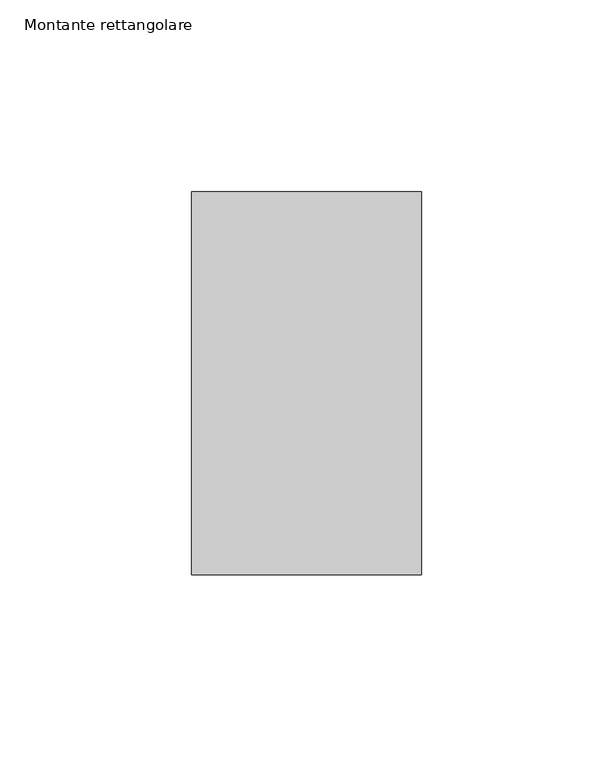
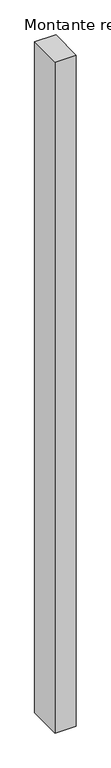
"""IFC4 building model written with IfcOpenShell, lengths in millimetres: member geometry, Montante rettangolare."""

from ifc_helpers import new_model, si_unit, frame, origin, place, context, project, spatial, polyline, outline, extrude, source, transform, mapped, element, save


def montante_rettangolare_8e26e2ed(model_context):
    return source(origin(), model_context, "Body", "SweptSolid", [
        extrude(outline(polyline([(0.0, 50.0), (0.0, -50.0), (-60.0, -50.0), (-60.0, 50.0), (0.0, 50.0)])), frame((0.0, 0.0, -2010.0), z_axis=(0.0, 0.0, 1.0), x_axis=(1.0, 0.0, 0.0)), (0.0, 0.0, 1.0), 2010.0),
    ])


if __name__ == "__main__":
    model = new_model("IFC4")
    model_context = context("Model", 3, world=origin())
    ifc_project = project(units=[si_unit("LENGTHUNIT", "METRE", prefix="MILLI")], contexts=[model_context])
    site = spatial("IfcSite", under=ifc_project)
    building = spatial("IfcBuilding", under=site)
    placement = place(None, origin())
    montante_rettangolare_shape = montante_rettangolare_8e26e2ed(model_context)
    element("IfcMember", 1, ObjectType="Montante rettangolare", at=placement, inside=building, context=model_context, shape_type="MappedRepresentation", body=[
        mapped(montante_rettangolare_shape, transform((0.0, 0.0, 0.0), x_axis=(1.0, 0.0, 0.0), y_axis=(0.0, 1.0, 0.0), z_axis=(0.0, 0.0, 1.0))),
    ])
    save(model, "model.ifc")
